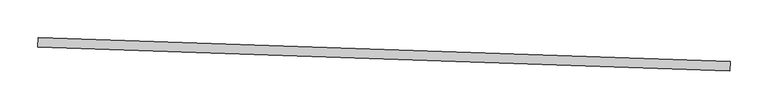
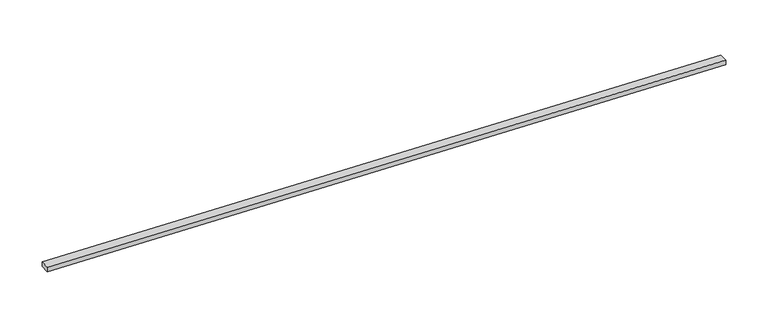
"""IFC4 building model written with IfcOpenShell, lengths in millimetres: proxy geometry."""

from ifc_helpers import new_model, si_unit, frame, origin, place, context, project, spatial, polyline, outline, extrude, source, transform, mapped, element, save


def generic_models_35701796(model_context):
    return source(origin(), model_context, "Body", "SweptSolid", [
        extrude(outline(polyline([(34354.3698348, -15476.4917489), (34353.9354721, -15489.1843187), (33440.070444, -15457.9102007), (33440.5048068, -15445.2176309), (34354.3698348, -15476.4917489)])), frame((0.0, 0.0, 2839.4005362), z_axis=(0.0, 0.0, 1.0), x_axis=(1.0, 0.0, 0.0)), (0.0, 0.0, 1.0), 6.35),
    ])


if __name__ == "__main__":
    model = new_model("IFC4")
    model_context = context("Model", 3, world=origin())
    ifc_project = project(units=[si_unit("LENGTHUNIT", "METRE", prefix="MILLI")], contexts=[model_context])
    site = spatial("IfcSite", under=ifc_project)
    building = spatial("IfcBuilding", under=site)
    placement = place(None, origin())
    generic_models_shape = generic_models_35701796(model_context)
    element("IfcBuildingElementProxy", 1, Name="Generic Models", at=placement, inside=building, context=model_context, shape_type="MappedRepresentation", body=[
        mapped(generic_models_shape, transform((0.0, 0.0, 0.0), x_axis=(1.0, 0.0, 0.0), y_axis=(0.0, 1.0, 0.0), z_axis=(0.0, 0.0, 1.0))),
    ])
    save(model, "model.ifc")
